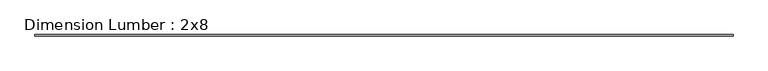
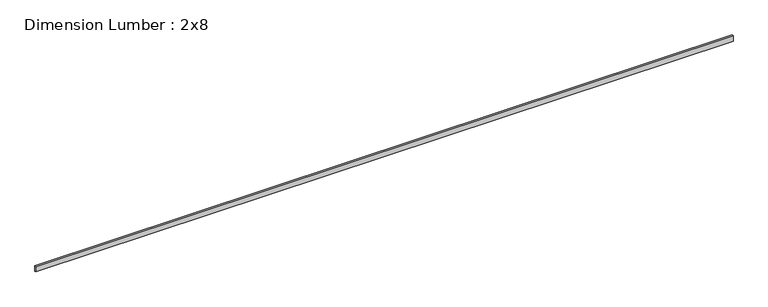
"""IFC4 building model written with IfcOpenShell, lengths in millimetres: beam geometry, Dimension Lumber : 2x8."""

from ifc_helpers import new_model, si_unit, frame, origin, place, context, project, spatial, polyline, outline, extrude, source, transform, mapped, element, save


def dimension_lumber_2x8_69eec523(model_context):
    return source(origin(), model_context, "Body", "SweptSolid", [
        extrude(outline(polyline([(11199.6431729, 19.05), (11199.6431729, -19.05), (-11199.6431729, -19.05), (-11199.6431729, 19.05), (11199.6431729, 19.05)])), frame((0.0, 0.0, -92.075), z_axis=(0.0, 0.0, 1.0), x_axis=(1.0, 0.0, 0.0)), (0.0, 0.0, 1.0), 184.15),
    ])


if __name__ == "__main__":
    model = new_model("IFC4")
    model_context = context("Model", 3, world=origin())
    ifc_project = project(units=[si_unit("LENGTHUNIT", "METRE", prefix="MILLI")], contexts=[model_context])
    site = spatial("IfcSite", under=ifc_project)
    building = spatial("IfcBuilding", under=site)
    placement = place(None, origin())
    dimension_lumber_2x8_shape = dimension_lumber_2x8_69eec523(model_context)
    element("IfcBeam", 1, ObjectType="Dimension Lumber : 2x8", at=placement, inside=building, context=model_context, shape_type="MappedRepresentation", body=[
        mapped(dimension_lumber_2x8_shape, transform((0.0, 0.0, 0.0), x_axis=(1.0, 0.0, 0.0), y_axis=(0.0, 1.0, 0.0), z_axis=(0.0, 0.0, 1.0))),
    ])
    save(model, "model.ifc")
